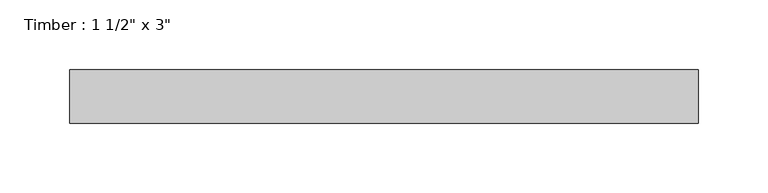
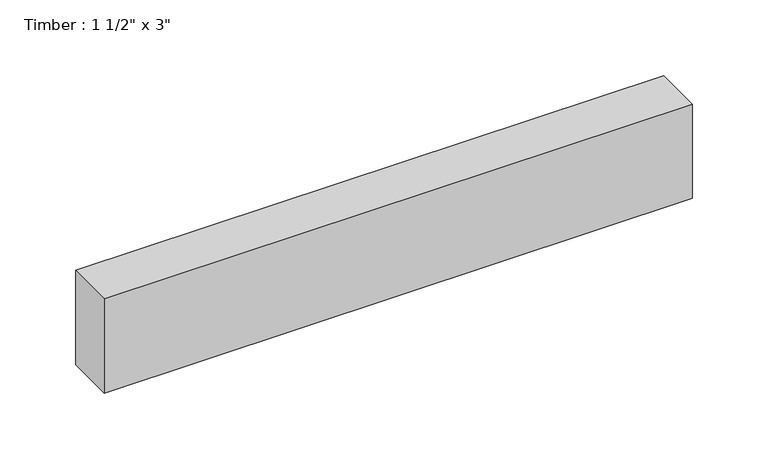
"""IFC4 building model written with IfcOpenShell, lengths in millimetres: beam geometry."""

from ifc_helpers import new_model, si_unit, frame, origin, place, context, project, spatial, polyline, outline, extrude, source, transform, mapped, element, save


def beam_1c7a8259(model_context):
    return source(origin(), model_context, "Body", "SweptSolid", [
        extrude(outline(polyline([(224.8433578, 19.05), (224.8433578, -19.05), (-224.8433578, -19.05), (-224.8433578, 19.05), (224.8433578, 19.05)])), frame((0.0, 0.0, -38.1), z_axis=(0.0, 0.0, 1.0), x_axis=(1.0, 0.0, 0.0)), (0.0, 0.0, 1.0), 76.2),
    ])


if __name__ == "__main__":
    model = new_model("IFC4")
    model_context = context("Model", 3, world=origin())
    ifc_project = project(units=[si_unit("LENGTHUNIT", "METRE", prefix="MILLI")], contexts=[model_context])
    site = spatial("IfcSite", under=ifc_project)
    building = spatial("IfcBuilding", under=site)
    placement = place(None, origin())
    beam_shape = beam_1c7a8259(model_context)
    element("IfcBeam", 1, ObjectType="Timber : 1 1/2\" x 3\"", at=placement, inside=building, context=model_context, shape_type="MappedRepresentation", body=[
        mapped(beam_shape, transform((0.0, 0.0, 0.0), x_axis=(1.0, 0.0, 0.0), y_axis=(0.0, 1.0, 0.0), z_axis=(0.0, 0.0, 1.0))),
    ])
    save(model, "model.ifc")
